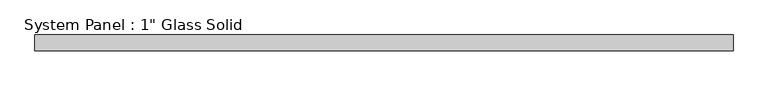
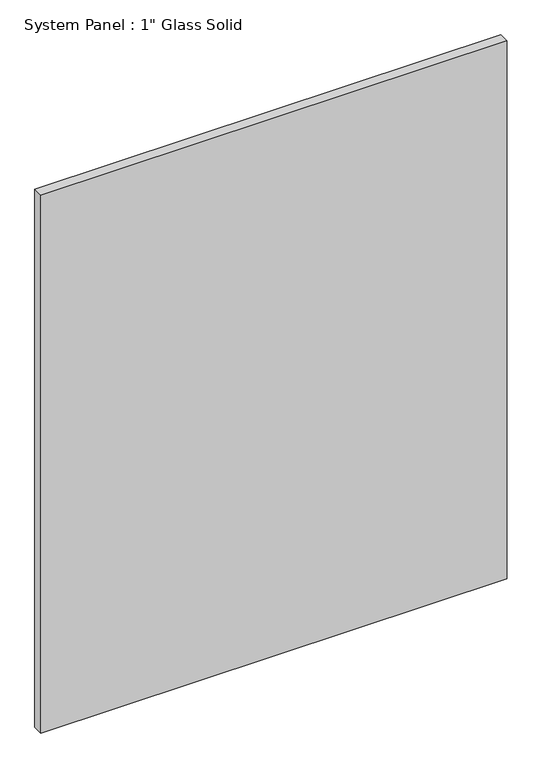
"""IFC4 building model written with IfcOpenShell, lengths in millimetres: plate geometry."""

from ifc_helpers import new_model, si_unit, origin, origin_with_axes, place, context, project, spatial, polyline, outline, extrude, source, transform, mapped, element, save


def plate_861b5eac(model_context):
    return source(origin(), model_context, "Body", "SweptSolid", [
        extrude(outline(polyline([(568.3258852, -12.7), (-568.3258852, -12.7), (-568.3258852, 12.7), (568.3258852, 12.7), (568.3258852, -12.7)])), origin_with_axes(), (0.0, 0.0, 1.0), 1385.0491382),
    ])


if __name__ == "__main__":
    model = new_model("IFC4")
    model_context = context("Model", 3, world=origin())
    ifc_project = project(units=[si_unit("LENGTHUNIT", "METRE", prefix="MILLI")], contexts=[model_context])
    site = spatial("IfcSite", under=ifc_project)
    building = spatial("IfcBuilding", under=site)
    placement = place(None, origin())
    plate_shape = plate_861b5eac(model_context)
    element("IfcPlate", 1, ObjectType="System Panel : 1\" Glass Solid", at=placement, inside=building, context=model_context, shape_type="MappedRepresentation", body=[
        mapped(plate_shape, transform((0.0, 0.0, 0.0), x_axis=(1.0, 0.0, 0.0), y_axis=(0.0, 1.0, 0.0), z_axis=(0.0, 0.0, 1.0))),
    ])
    save(model, "model.ifc")
